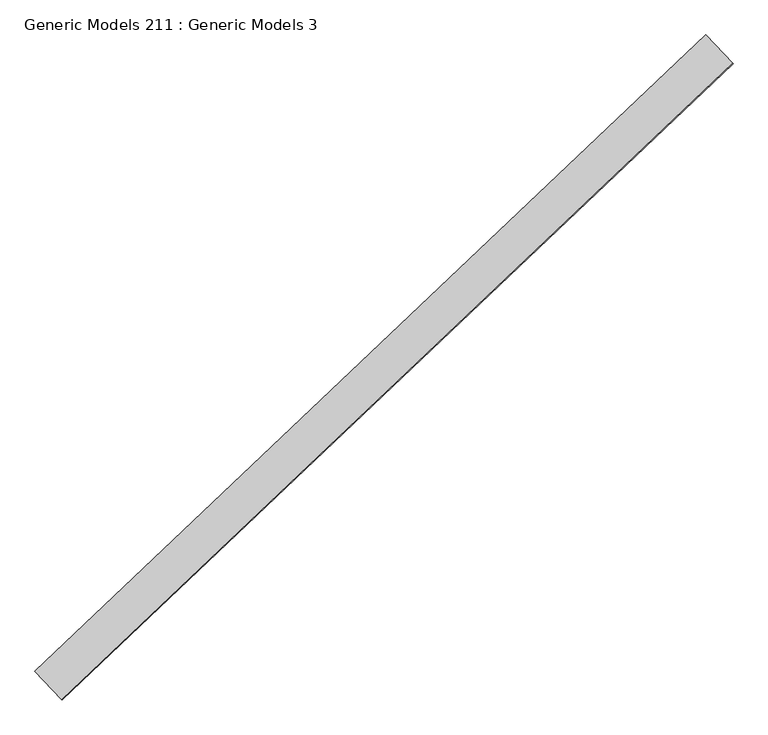
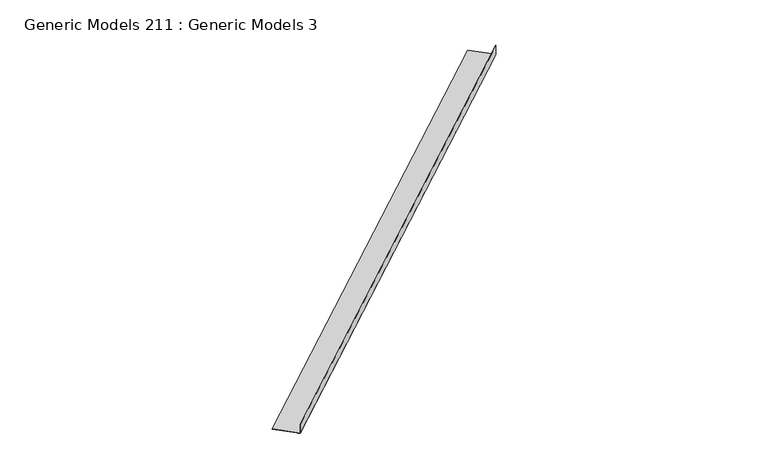
"""IFC4 building model written with IfcOpenShell, lengths in millimetres: proxy geometry, Generic Models 211 : Generic Models 3."""

from ifc_helpers import new_model, si_unit, frame, origin, place, context, project, spatial, polyline, outline, extrude, source, transform, mapped, element, save


def generic_models_211_generic_models_3_6faea2b9(model_context):
    return source(origin(), model_context, "Body", "SweptSolid", [
        extrude(outline(polyline([(28.4433609, 0.0), (28.4433609, -1.5875), (-42.4371468, -1.5875), (-46.4350913, -193.4888363), (-48.0222469, -193.4557705), (-43.9919183, 0.0), (28.4433609, 0.0)])), frame((99937.0621969, 57115.8268908, 16588.3510656), z_axis=(0.7253743710122779, 0.6883545756937643, 0.0), x_axis=(0.0, 0.0, 1.0)), (0.0, 0.0, 1.0), 4530.725),
    ])


if __name__ == "__main__":
    model = new_model("IFC4")
    model_context = context("Model", 3, world=origin())
    ifc_project = project(units=[si_unit("LENGTHUNIT", "METRE", prefix="MILLI")], contexts=[model_context])
    site = spatial("IfcSite", under=ifc_project)
    building = spatial("IfcBuilding", under=site)
    placement = place(None, origin())
    generic_models_211_generic_models_3_shape = generic_models_211_generic_models_3_6faea2b9(model_context)
    element("IfcBuildingElementProxy", 1, Name="Generic Models 211 : Generic Models 3", ObjectType="Generic Models 211 : Generic Models 3", at=placement, inside=building, context=model_context, shape_type="MappedRepresentation", body=[
        mapped(generic_models_211_generic_models_3_shape, transform((0.0, 0.0, 0.0), x_axis=(1.0, 0.0, 0.0), y_axis=(0.0, 1.0, 0.0), z_axis=(0.0, 0.0, 1.0))),
    ])
    save(model, "model.ifc")
